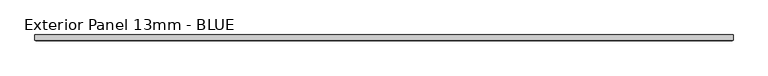
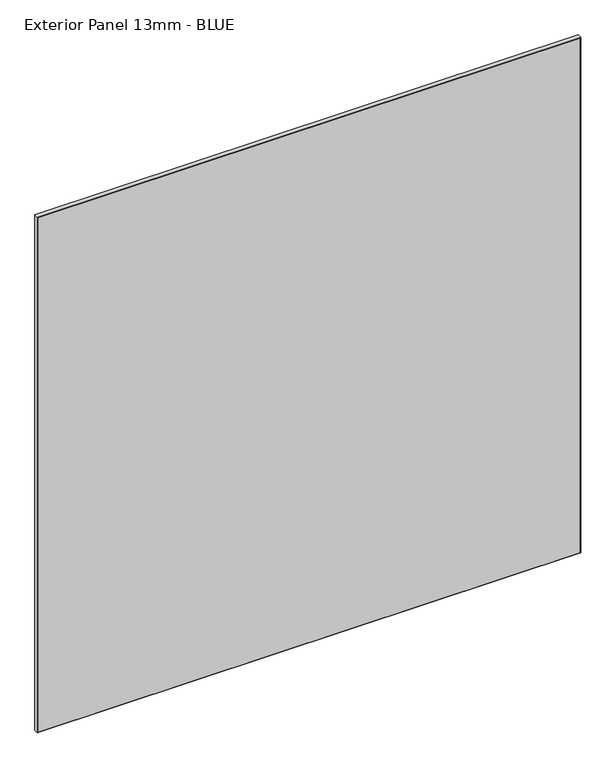
"""IFC4 building model written with IfcOpenShell, lengths in millimetres: proxy geometry, Exterior Panel 13mm - BLUE."""

import ifcopenshell
import ifcopenshell.guid

model = None  # the IFC model being written
_history = None  # IfcOwnerHistory: only IFC2X3 demands one
_inside = {}  # id of a spatial element -> (the spatial element, [elements in it])
_under = {}  # id of a project, library or spatial element -> (it, [spatial elements below it])
_declared = {}  # id of a project -> (the project, [libraries it declares])
_typed = {}  # id of a type object -> (the type object, [elements of that type])
_made_of = {}  # id of a material, layer set ... -> (it, [elements and type objects made of it])


def new_model(schema):
    """Start an empty IFC model of exactly this schema.

    Asked for "IFC4X3", IfcOpenShell would pick the latest addendum, in which some entities
    have other attributes; the version numbers below select the first issue.
    IFC2X3 requires an IfcOwnerHistory on every rooted entity: one is made here for all.
    """
    global model, _history
    if schema == "IFC4X3":
        model = ifcopenshell.file(schema_version=(4, 3, 0, 0))
    else:
        model = ifcopenshell.file(schema=schema)
    _inside.clear()
    _under.clear()
    _declared.clear()
    _typed.clear()
    _made_of.clear()
    _history = None
    if model.schema == "IFC2X3":
        org = make("IfcOrganization", Name="unknown")
        user = make(
            "IfcPersonAndOrganization",
            ThePerson=make("IfcPerson", FamilyName="unknown"),
            TheOrganization=org,
        )
        app = make(
            "IfcApplication",
            ApplicationDeveloper=org,
            Version="unknown",
            ApplicationFullName="unknown",
            ApplicationIdentifier="unknown",
        )
        _history = make(
            "IfcOwnerHistory",
            OwningUser=user,
            OwningApplication=app,
            ChangeAction="ADDED",
            CreationDate=0,
        )
    return model


def make(cls, **values):
    """One entity of the class cls with the attributes given. An attribute that is None is left unset."""
    return model.create_entity(
        cls, **{name: value for name, value in values.items() if value is not None}
    )


def rooted(cls, **values):
    """An entity with a GlobalId (a new one), such as an element, a storey or a relation."""
    return make(cls, GlobalId=ifcopenshell.guid.new(), OwnerHistory=_history, **values)


def si_unit(unit_type, name, prefix=None):
    """IfcSIUnit, for example si_unit("LENGTHUNIT", "METRE", prefix="MILLI")."""
    return make("IfcSIUnit", UnitType=unit_type, Prefix=prefix, Name=name)


def assignment(units):
    """IfcUnitAssignment: the units of a project."""
    return None if units is None else make("IfcUnitAssignment", Units=units)


def point(xyz):
    """IfcCartesianPoint."""
    return None if xyz is None else make("IfcCartesianPoint", Coordinates=xyz)


def direction(xyz):
    """IfcDirection."""
    return None if xyz is None else make("IfcDirection", DirectionRatios=xyz)


def frame(location, z_axis=None, x_axis=None):
    """IfcAxis2Placement3D, a coordinate frame: its origin and axes. An axis left out is left unset."""
    return make(
        "IfcAxis2Placement3D",
        Location=point(location),
        Axis=direction(z_axis),
        RefDirection=direction(x_axis),
    )


def origin():
    """The frame at (0, 0, 0) with its axes left unset."""
    return frame((0.0, 0.0, 0.0))


def place(relative_to, where):
    """IfcLocalPlacement: puts the frame where relative to a parent placement (None: the world)."""
    return make(
        "IfcLocalPlacement", PlacementRelTo=relative_to, RelativePlacement=where
    )


def context(
    kind, dimensions, precision=None, world=None, true_north=None, identifier=None
):
    """IfcGeometricRepresentationContext, for example the 3D "Model" context."""
    return make(
        "IfcGeometricRepresentationContext",
        ContextIdentifier=identifier,
        ContextType=kind,
        CoordinateSpaceDimension=dimensions,
        Precision=precision,
        WorldCoordinateSystem=world,
        TrueNorth=true_north,
    )


def project(units=None, contexts=None):
    """IfcProject with its units and contexts."""
    return rooted(
        "IfcProject",
        Name="project",
        RepresentationContexts=contexts,
        UnitsInContext=assignment(units),
    )


def spatial(cls, under=None, at=None, **own):
    """A site, building, storey or space (cls), placed at a placement, below another one or the project."""
    s = rooted(cls, ObjectPlacement=at, **own)
    if under is not None:
        _under.setdefault(under.id(), (under, []))[1].append(s)
    return s


def faces_of(points, faces, orient=None, outer=None):
    """IfcFace entities. A face is a list of loops; a loop is a list of indices into points, from 0.

    orient and outer hold one flag for each loop. By default every Orientation is true, the
    first loop of a face is its IfcFaceOuterBound and the others are IfcFaceBound.
    """
    made = []
    for i, loops in enumerate(faces):
        bounds = []
        for j, loop in enumerate(loops):
            is_outer = j == 0 if outer is None else outer[i][j]
            bounds.append(
                make(
                    "IfcFaceOuterBound" if is_outer else "IfcFaceBound",
                    Bound=make("IfcPolyLoop", Polygon=[points[k] for k in loop]),
                    Orientation=True if orient is None else orient[i][j],
                )
            )
        made.append(make("IfcFace", Bounds=bounds))
    return made


def faceted_brep(points, faces, orient=None, outer=None, voids=None):
    """IfcFacetedBrep: a solid bounded by flat faces; with voids (closed shells), ...WithVoids."""
    shared = [point(p) for p in points]
    hull = make("IfcClosedShell", CfsFaces=faces_of(shared, faces, orient, outer))
    if voids is None:
        return make("IfcFacetedBrep", Outer=hull)
    return make(
        "IfcFacetedBrepWithVoids",
        Outer=hull,
        Voids=[
            make(cls, CfsFaces=faces_of(shared, fs, o, b)) for cls, fs, o, b in voids
        ],
    )


def shape(context_of_items, identifier, shape_type, items):
    """IfcShapeRepresentation: the items that make up one representation, for example the "Body"."""
    return make(
        "IfcShapeRepresentation",
        ContextOfItems=context_of_items,
        RepresentationIdentifier=identifier,
        RepresentationType=shape_type,
        Items=items,
    )


def source(mapping_origin, context_of_items, identifier, shape_type, items):
    """IfcRepresentationMap: a shape defined once, which mapped items show again and again."""
    return make(
        "IfcRepresentationMap",
        MappingOrigin=mapping_origin,
        MappedRepresentation=shape(context_of_items, identifier, shape_type, items),
    )


def transform(
    local_origin,
    x_axis=None,
    y_axis=None,
    z_axis=None,
    scale=None,
    scale2=None,
    scale3=None,
    uniform=True,
):
    """IfcCartesianTransformationOperator3D, or its non-uniform kind. x_axis, y_axis, z_axis: its Axis1, 2, 3."""
    if uniform:
        return make(
            "IfcCartesianTransformationOperator3D",
            Axis1=direction(x_axis),
            Axis2=direction(y_axis),
            LocalOrigin=point(local_origin),
            Scale=scale,
            Axis3=direction(z_axis),
        )
    return make(
        "IfcCartesianTransformationOperator3DnonUniform",
        Axis1=direction(x_axis),
        Axis2=direction(y_axis),
        LocalOrigin=point(local_origin),
        Scale=scale,
        Axis3=direction(z_axis),
        Scale2=scale2,
        Scale3=scale3,
    )


def mapped(mapping_source, mapping_target):
    """IfcMappedItem: shows the shape of a source again, moved by a transform."""
    return make(
        "IfcMappedItem", MappingSource=mapping_source, MappingTarget=mapping_target
    )


def made_of(thing, what):
    """Note that an element or type object is made of a material, layer set ...; save() writes the relation."""
    if what is not None:
        _made_of.setdefault(what.id(), (what, []))[1].append(thing)
    return thing


def element(
    cls,
    number,
    at=None,
    inside=None,
    cuts=None,
    type_object=None,
    material=None,
    context=None,
    identifier="Body",
    shape_type=None,
    held_by="IfcProductDefinitionShape",
    body=None,
    shapes=None,
    **own,
):
    """One element of the class cls, such as IfcWall. Its Tag is "e" and its number.

    at: its placement. inside: the storey or other place that contains it. cuts: it is an
    opening in that element (IfcRelVoidsElement). A single representation is given by context,
    identifier, shape_type and body (its items); several are given by shapes. held_by: the class
    of the entity that holds the representations. save() writes the other relations.
    """
    e = rooted(cls, Tag="e%d" % number, ObjectPlacement=at, **own)
    if body is not None:
        shapes = [shape(context, identifier, shape_type, body)]
    if shapes is not None:
        e.Representation = make(held_by, Representations=shapes)
    if inside is not None:
        _inside.setdefault(inside.id(), (inside, []))[1].append(e)
    if cuts is not None:
        rooted(
            "IfcRelVoidsElement", RelatingBuildingElement=cuts, RelatedOpeningElement=e
        )
    if type_object is not None:
        _typed.setdefault(type_object.id(), (type_object, []))[1].append(e)
    return made_of(e, material)


def aggregate(whole, parts):
    """IfcRelAggregates: a whole, such as a stair, and the parts it consists of."""
    return rooted("IfcRelAggregates", RelatingObject=whole, RelatedObjects=parts)


def save(model, path):
    """Write the relations noted so far, then the file.

    IfcRelAggregates (storeys below a building ...), IfcRelContainedInSpatialStructure (elements
    in a storey), IfcRelDefinesByType, IfcRelAssociatesMaterial and IfcRelDeclares: one each for
    every whole, place, type object, material and project.
    """
    for whole, parts in _under.values():
        aggregate(whole, parts)
    for where, things in _inside.values():
        rooted(
            "IfcRelContainedInSpatialStructure",
            RelatedElements=things,
            RelatingStructure=where,
        )
    for kind, things in _typed.values():
        rooted("IfcRelDefinesByType", RelatedObjects=things, RelatingType=kind)
    for what, things in _made_of.values():
        rooted("IfcRelAssociatesMaterial", RelatedObjects=things, RelatingMaterial=what)
    for by, libraries in _declared.values():
        rooted("IfcRelDeclares", RelatingContext=by, RelatedDefinitions=libraries)
    model.write(path)


def exterior_panel_13mm_blue_7f306339(model_context):
    return source(origin(), model_context, "Body", "Brep", [
        faceted_brep([(1112.8375, 6.35, 1524.0), (-406.4, 6.35, 1524.0), (-406.4, -4.7625, 1524.0), (1112.8375, -4.7625, 1524.0), (1112.8375, 6.35, 0.0), (1112.8375, -4.7625, 0.0), (-406.4, -4.7625, 0.0), (-406.4, 6.35, 0.0), (-404.8125, -6.35, 1522.4125), (-404.8125, -6.35, 1.5875), (1111.25, -6.35, 1.5875), (1111.25, -6.35, 1522.4125)], [[[0, 1, 2, 3]], [[4, 5, 6, 7]], [[1, 0, 4, 7]], [[2, 1, 7, 6]], [[8, 9, 10, 11]], [[0, 3, 5, 4]], [[2, 6, 9, 8]], [[5, 3, 11, 10]], [[3, 2, 8, 11]], [[6, 5, 10, 9]]]),
    ])


if __name__ == "__main__":
    model = new_model("IFC4")
    model_context = context("Model", 3, world=origin())
    ifc_project = project(units=[si_unit("LENGTHUNIT", "METRE", prefix="MILLI")], contexts=[model_context])
    site = spatial("IfcSite", under=ifc_project)
    building = spatial("IfcBuilding", under=site)
    placement = place(None, origin())
    exterior_panel_13mm_blue_shape = exterior_panel_13mm_blue_7f306339(model_context)
    element("IfcBuildingElementProxy", 1, Name="Exterior Panel 13mm - BLUE", ObjectType="Exterior Panel 13mm - BLUE", at=placement, inside=building, context=model_context, shape_type="MappedRepresentation", body=[
        mapped(exterior_panel_13mm_blue_shape, transform((0.0, 0.0, 0.0), x_axis=(1.0, 0.0, 0.0), y_axis=(0.0, 1.0, 0.0), z_axis=(0.0, 0.0, 1.0))),
    ])
    save(model, "model.ifc")
